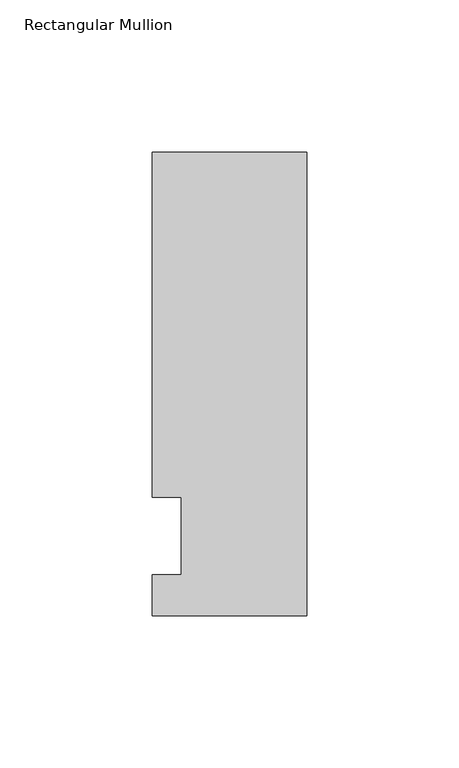
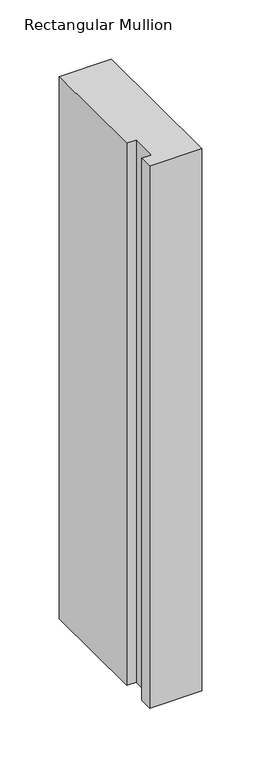
"""IFC4 building model written with IfcOpenShell, lengths in millimetres: member geometry, Rectangular Mullion."""

from ifc_helpers import new_model, si_unit, frame, origin, place, context, project, spatial, polyline, outline, extrude, source, transform, mapped, element, save


def rectangular_mullion_fb676be1(model_context):
    return source(origin(), model_context, "Body", "SweptSolid", [
        extrude(outline(polyline([(0.0, -26.19375), (-50.8, -26.19375), (-50.8, -12.7), (-41.275, -12.7), (-41.275, 12.7), (-50.8, 12.7), (-50.8, 126.20625), (0.0, 126.20625), (0.0, -26.19375)])), frame((0.0, 0.0, -558.8), z_axis=(0.0, 0.0, 1.0), x_axis=(1.0, 0.0, 0.0)), (0.0, 0.0, 1.0), 558.8),
    ])


if __name__ == "__main__":
    model = new_model("IFC4")
    model_context = context("Model", 3, world=origin())
    ifc_project = project(units=[si_unit("LENGTHUNIT", "METRE", prefix="MILLI")], contexts=[model_context])
    site = spatial("IfcSite", under=ifc_project)
    building = spatial("IfcBuilding", under=site)
    placement = place(None, origin())
    rectangular_mullion_shape = rectangular_mullion_fb676be1(model_context)
    element("IfcMember", 1, ObjectType="Rectangular Mullion", at=placement, inside=building, context=model_context, shape_type="MappedRepresentation", body=[
        mapped(rectangular_mullion_shape, transform((0.0, 0.0, 0.0), x_axis=(1.0, 0.0, 0.0), y_axis=(0.0, 1.0, 0.0), z_axis=(0.0, 0.0, 1.0))),
    ])
    save(model, "model.ifc")
